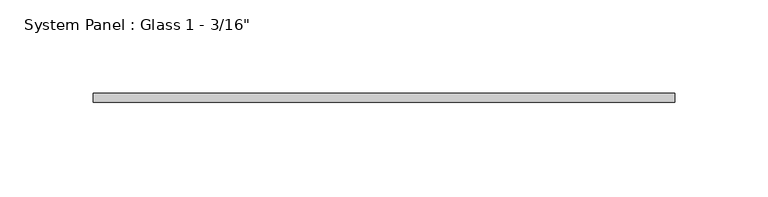
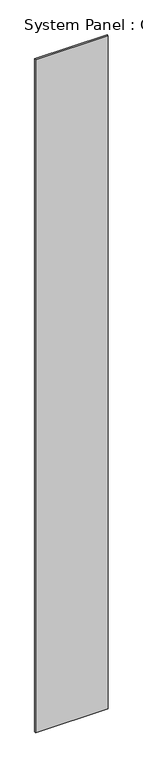
"""IFC4 building model written with IfcOpenShell, lengths in millimetres: plate geometry."""

from ifc_helpers import new_model, si_unit, origin, origin_with_axes, place, context, project, spatial, polyline, outline, extrude, source, transform, mapped, element, save


def plate_6228e5ad(model_context):
    return source(origin(), model_context, "Body", "SweptSolid", [
        extrude(outline(polyline([(155.575, -4.7625), (-155.575, -4.7625), (-155.575, 0.0), (155.575, 0.0), (155.575, -4.7625)])), origin_with_axes(), (0.0, 0.0, 1.0), 3048.0),
    ])


if __name__ == "__main__":
    model = new_model("IFC4")
    model_context = context("Model", 3, world=origin())
    ifc_project = project(units=[si_unit("LENGTHUNIT", "METRE", prefix="MILLI")], contexts=[model_context])
    site = spatial("IfcSite", under=ifc_project)
    building = spatial("IfcBuilding", under=site)
    placement = place(None, origin())
    plate_shape = plate_6228e5ad(model_context)
    element("IfcPlate", 1, ObjectType="System Panel : Glass 1 - 3/16\"", at=placement, inside=building, context=model_context, shape_type="MappedRepresentation", body=[
        mapped(plate_shape, transform((0.0, 0.0, 0.0), x_axis=(1.0, 0.0, 0.0), y_axis=(0.0, 1.0, 0.0), z_axis=(0.0, 0.0, 1.0))),
    ])
    save(model, "model.ifc")
